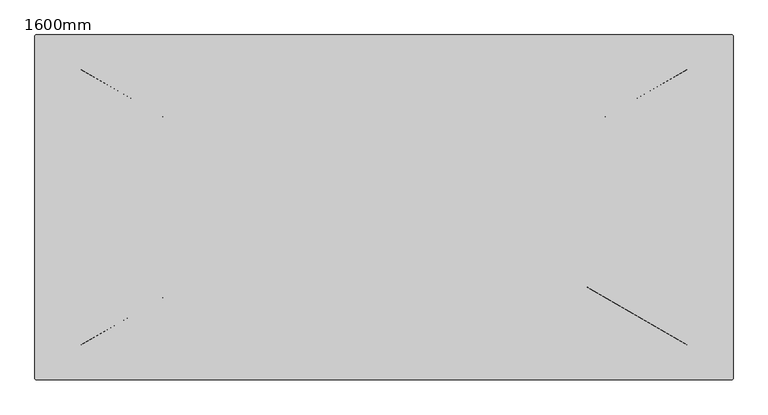
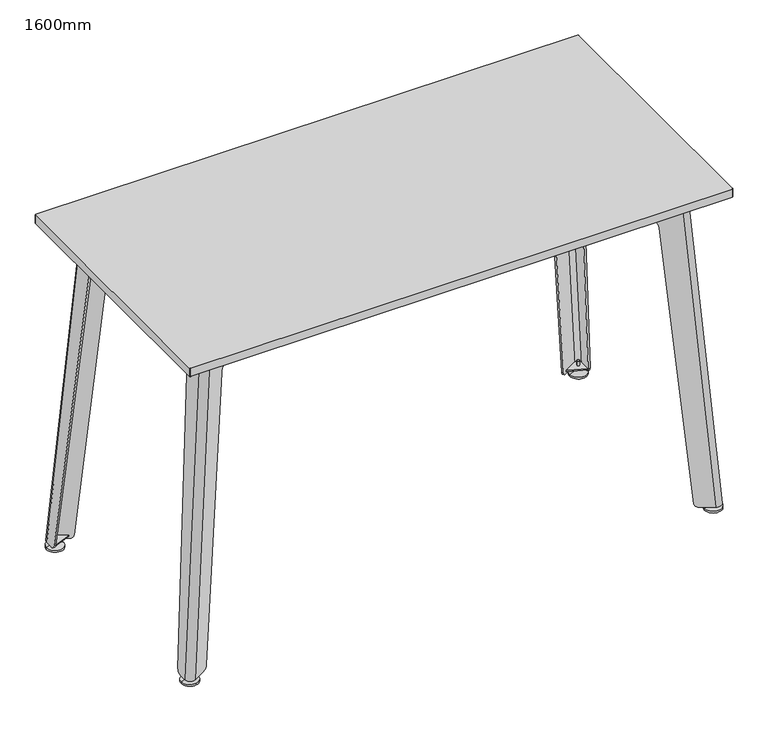
"""IFC4 building model written with IfcOpenShell, lengths in millimetres: furniture geometry, 1600mm."""

from ifc_helpers import new_model, si_unit, point, frame, frame_2d, origin, place, context, project, spatial, polyline, circle_curve, ellipse_curve, trimmed, segment, composite_curve, outline, extrude, source, transform, mapped, element, save
from ifc_brep_helpers import plane_surface, cylinder_surface, revolved_surface, extruded_surface, advanced_brep


def furniture_1600mm_b0f75b26(model_context):
    return source(origin(), model_context, "Body", "SolidModel", [
        extrude(outline(composite_curve([segment(trimmed(circle_curve(frame_2d((765.1, -348.05)), 10.0), [point((775.1, -348.05))], [point((760.1, -356.710254))], False, "CARTESIAN"), True, "CONTINUOUS"), segment(polyline([(760.1, -356.710254), (723.0308212, -335.3083537), (775.1, -314.2710399), (775.1, -348.05)]), True, "CONTINUOUS")], self_intersect=False)), frame((0.0, 0.0, 21.0), z_axis=(0.0, 0.0, 1.0), x_axis=(1.0, 0.0, 0.0)), (0.0, 0.0, 1.0), 4.0),
        extrude(outline(composite_curve([segment(polyline([(-775.1, -348.05), (-775.1, -314.2710399), (-723.0308212, -335.3083537), (-760.1, -356.710254)]), True, "CONTINUOUS"), segment(trimmed(circle_curve(frame_2d((-765.1, -348.05)), 10.0), [point((-760.1, -356.710254))], [point((-775.1, -348.05))], False, "CARTESIAN"), True, "CONTINUOUS")], self_intersect=False)), frame((0.0, 0.0, 21.0), z_axis=(0.0, 0.0, 1.0), x_axis=(1.0, 0.0, 0.0)), (0.0, 0.0, 1.0), 4.0),
        extrude(outline(composite_curve([segment(polyline([(775.1, 348.05), (775.1, 314.2710399), (723.0308212, 335.3083537), (760.1, 356.710254)]), True, "CONTINUOUS"), segment(trimmed(circle_curve(frame_2d((765.1, 348.05)), 10.0), [point((760.1, 356.710254))], [point((775.1, 348.05))], False, "CARTESIAN"), True, "CONTINUOUS")], self_intersect=False)), frame((0.0, 0.0, 21.0), z_axis=(0.0, 0.0, 1.0), x_axis=(1.0, 0.0, 0.0)), (0.0, 0.0, 1.0), 4.0),
        extrude(outline(composite_curve([segment(trimmed(circle_curve(frame_2d((-765.1, 348.05)), 10.0), [point((-775.1, 348.05))], [point((-760.1, 356.710254))], False, "CARTESIAN"), True, "CONTINUOUS"), segment(polyline([(-760.1, 356.710254), (-723.0308212, 335.3083537), (-775.1, 314.2710399), (-775.1, 348.05)]), True, "CONTINUOUS")], self_intersect=False)), frame((0.0, 0.0, 21.0), z_axis=(0.0, 0.0, 1.0), x_axis=(1.0, 0.0, 0.0)), (0.0, 0.0, 1.0), 4.0),
        extrude(outline(polyline([(900.0, 702.7599289), (975.0, 697.6509263), (975.0, -697.6509263), (900.0, -702.7599289), (900.0, 702.7599289)])), frame((0.0, -208.05, 0.0), z_axis=(0.0, 1.0, 0.0), x_axis=(0.0, 0.0, 1.0)), (0.0, 0.0, 1.0), 30.0),
        advanced_brep(
        [(761.1, -339.55, 0.0), (736.1, -339.55, 0.0), (786.1, -339.55, 0.0), (736.1, -339.55, 5.0), (786.1, -339.55, 5.0), (756.1, -339.55, 14.0), (766.1, -339.55, 14.0), (761.1, -339.55, 14.0)],
        [
            (0, 1),
            (1, 2, circle_curve(frame((761.1, -339.55, 0.0), z_axis=(0.0, 0.0, -1.0), x_axis=(-1.0, 0.0, 0.0)), 25.0)),
            (2, 0),
            (2, 1, circle_curve(frame((761.1, -339.55, 0.0), z_axis=(0.0, 0.0, -1.0), x_axis=(-1.0, 0.0, 0.0)), 25.0)),
            (1, 3),
            (3, 4, circle_curve(frame((761.1, -339.55, 5.0), z_axis=(0.0, 0.0, -1.0), x_axis=(-1.0, 0.0, 0.0)), 25.0)),
            (4, 2),
            (4, 3, circle_curve(frame((761.1, -339.55, 5.0), z_axis=(0.0, 0.0, -1.0), x_axis=(-1.0, 0.0, 0.0)), 25.0)),
            (3, 5),
            (5, 6, circle_curve(frame((761.1, -339.55, 14.0), z_axis=(0.0, 0.0, -1.0), x_axis=(-1.0, 0.0, 0.0)), 5.0)),
            (6, 4),
            (6, 5, circle_curve(frame((761.1, -339.55, 14.0), z_axis=(0.0, 0.0, -1.0), x_axis=(-1.0, 0.0, 0.0)), 5.0)),
            (5, 7),
            (7, 6),
        ],
        [
            plane_surface(frame((761.1, -339.55, 0.0), z_axis=(0.0, 0.0, -1.0), x_axis=(-1.0, 0.0, 0.0))),
            cylinder_surface(frame((761.1, -339.55, -2.6616967), z_axis=(0.0, 0.0, -1.0), x_axis=(-1.0, 0.0, 0.0)), 25.0),
            revolved_surface(polyline([(756.1, -339.55, 14.0), (736.1, -339.55, 5.0)]), (761.1, -339.55, -2.6616967), (0.0, 0.0, -1.0)),
            plane_surface(frame((761.1, -339.55, 14.0), z_axis=(0.0, 0.0, 1.0), x_axis=(-1.0, 0.0, 0.0))),
        ],
        [
            (0, [[1, 2, 3]]),
            (0, [[-3, 4, -1]]),
            (1, [[-2, 5, 6, 7]]),
            (1, [[-4, -7, 8, -5]]),
            (2, [[-6, 9, 10, 11]]),
            (2, [[-8, -11, 12, -9]]),
            (3, [[-10, 13, 14]]),
            (3, [[-12, -14, -13]]),
        ],
    ),
        advanced_brep(
        [(786.1, 339.55, 0.0), (736.1, 339.55, 0.0), (761.1, 339.55, 0.0), (786.1, 339.55, 5.0), (736.1, 339.55, 5.0), (766.1, 339.55, 14.0), (756.1, 339.55, 14.0), (761.1, 339.55, 14.0)],
        [
            (0, 1, circle_curve(frame((761.1, 339.55, 0.0), z_axis=(0.0, 0.0, -1.0), x_axis=(-1.0, 0.0, 0.0)), 25.0)),
            (1, 2),
            (2, 0),
            (1, 0, circle_curve(frame((761.1, 339.55, 0.0), z_axis=(0.0, 0.0, -1.0), x_axis=(-1.0, 0.0, 0.0)), 25.0)),
            (3, 4, circle_curve(frame((761.1, 339.55, 5.0), z_axis=(0.0, 0.0, -1.0), x_axis=(-1.0, 0.0, 0.0)), 25.0)),
            (4, 1),
            (0, 3),
            (4, 3, circle_curve(frame((761.1, 339.55, 5.0), z_axis=(0.0, 0.0, -1.0), x_axis=(-1.0, 0.0, 0.0)), 25.0)),
            (5, 6, circle_curve(frame((761.1, 339.55, 14.0), z_axis=(0.0, 0.0, -1.0), x_axis=(-1.0, 0.0, 0.0)), 5.0)),
            (6, 4),
            (3, 5),
            (6, 5, circle_curve(frame((761.1, 339.55, 14.0), z_axis=(0.0, 0.0, -1.0), x_axis=(-1.0, 0.0, 0.0)), 5.0)),
            (7, 6),
            (5, 7),
        ],
        [
            plane_surface(frame((761.1, 339.55, 0.0), z_axis=(0.0, 0.0, -1.0), x_axis=(-1.0, 0.0, 0.0))),
            cylinder_surface(frame((761.1, 339.55, -2.6616967), z_axis=(0.0, 0.0, 1.0), x_axis=(-1.0, 0.0, 0.0)), 25.0),
            revolved_surface(polyline([(736.1, 339.55, 5.0), (756.1, 339.55, 14.0)]), (761.1, 339.55, -2.6616967), (0.0, 0.0, 1.0)),
            plane_surface(frame((761.1, 339.55, 14.0), z_axis=(0.0, 0.0, 1.0), x_axis=(-1.0, 0.0, 0.0))),
        ],
        [
            (0, [[1, 2, 3]]),
            (0, [[4, -3, -2]]),
            (1, [[5, 6, -1, 7]]),
            (1, [[8, -7, -4, -6]]),
            (2, [[9, 10, -5, 11]]),
            (2, [[12, -11, -8, -10]]),
            (3, [[13, -9, 14]]),
            (3, [[-14, -12, -13]]),
        ],
    ),
        advanced_brep(
        [(-786.1, -339.55, 0.0), (-736.1, -339.55, 0.0), (-761.1, -339.55, 0.0), (-786.1, -339.55, 5.0), (-736.1, -339.55, 5.0), (-766.1, -339.55, 14.0), (-756.1, -339.55, 14.0), (-761.1, -339.55, 14.0)],
        [
            (0, 1, circle_curve(frame((-761.1, -339.55, 0.0), z_axis=(0.0, 0.0, -1.0), x_axis=(1.0, 0.0, 0.0)), 25.0)),
            (1, 2),
            (2, 0),
            (1, 0, circle_curve(frame((-761.1, -339.55, 0.0), z_axis=(0.0, 0.0, -1.0), x_axis=(1.0, 0.0, 0.0)), 25.0)),
            (3, 4, circle_curve(frame((-761.1, -339.55, 5.0), z_axis=(0.0, 0.0, -1.0), x_axis=(1.0, 0.0, 0.0)), 25.0)),
            (4, 1),
            (0, 3),
            (4, 3, circle_curve(frame((-761.1, -339.55, 5.0), z_axis=(0.0, 0.0, -1.0), x_axis=(1.0, 0.0, 0.0)), 25.0)),
            (5, 6, circle_curve(frame((-761.1, -339.55, 14.0), z_axis=(0.0, 0.0, -1.0), x_axis=(1.0, 0.0, 0.0)), 5.0)),
            (6, 4),
            (3, 5),
            (6, 5, circle_curve(frame((-761.1, -339.55, 14.0), z_axis=(0.0, 0.0, -1.0), x_axis=(1.0, 0.0, 0.0)), 5.0)),
            (7, 6),
            (5, 7),
        ],
        [
            plane_surface(frame((-761.1, -339.55, 0.0), z_axis=(0.0, 0.0, -1.0), x_axis=(1.0, 0.0, 0.0))),
            cylinder_surface(frame((-761.1, -339.55, -2.6616967), z_axis=(0.0, 0.0, 1.0), x_axis=(1.0, 0.0, 0.0)), 25.0),
            revolved_surface(polyline([(-736.1, -339.55, 5.0), (-756.1, -339.55, 14.0)]), (-761.1, -339.55, -2.6616967), (0.0, 0.0, 1.0)),
            plane_surface(frame((-761.1, -339.55, 14.0), z_axis=(0.0, 0.0, 1.0), x_axis=(1.0, 0.0, 0.0))),
        ],
        [
            (0, [[1, 2, 3]]),
            (0, [[4, -3, -2]]),
            (1, [[5, 6, -1, 7]]),
            (1, [[8, -7, -4, -6]]),
            (2, [[9, 10, -5, 11]]),
            (2, [[12, -11, -8, -10]]),
            (3, [[13, -9, 14]]),
            (3, [[-14, -12, -13]]),
        ],
    ),
        extrude(outline(composite_curve([segment(trimmed(circle_curve(frame_2d((-761.1, 339.55)), 3.5), [point((-764.6, 339.55))], [point((-757.6, 339.55))], False, "CARTESIAN"), True, "CONTINUOUS"), segment(trimmed(circle_curve(frame_2d((-761.1, 339.55)), 3.5), [point((-757.6, 339.55))], [point((-764.6, 339.55))], False, "CARTESIAN"), True, "CONTINUOUS")], self_intersect=False)), frame((0.0, 0.0, 14.0), z_axis=(0.0, 0.0, 1.0), x_axis=(1.0, 0.0, 0.0)), (0.0, 0.0, 1.0), 26.0),
        extrude(outline(composite_curve([segment(trimmed(circle_curve(frame_2d((-761.1, -339.55)), 3.5), [point((-764.6, -339.55))], [point((-757.6, -339.55))], False, "CARTESIAN"), True, "CONTINUOUS"), segment(trimmed(circle_curve(frame_2d((-761.1, -339.55)), 3.5), [point((-757.6, -339.55))], [point((-764.6, -339.55))], False, "CARTESIAN"), True, "CONTINUOUS")], self_intersect=False)), frame((0.0, 0.0, 14.0), z_axis=(0.0, 0.0, 1.0), x_axis=(1.0, 0.0, 0.0)), (0.0, 0.0, 1.0), 26.0),
        extrude(outline(composite_curve([segment(trimmed(circle_curve(frame_2d((761.1, 339.55)), 3.5), [point((757.6, 339.55))], [point((764.6, 339.55))], False, "CARTESIAN"), True, "CONTINUOUS"), segment(trimmed(circle_curve(frame_2d((761.1, 339.55)), 3.5), [point((764.6, 339.55))], [point((757.6, 339.55))], False, "CARTESIAN"), True, "CONTINUOUS")], self_intersect=False)), frame((0.0, 0.0, 14.0), z_axis=(0.0, 0.0, 1.0), x_axis=(1.0, 0.0, 0.0)), (0.0, 0.0, 1.0), 26.0),
        extrude(outline(composite_curve([segment(trimmed(circle_curve(frame_2d((761.1, -339.55)), 3.5), [point((757.6, -339.55))], [point((764.6, -339.55))], False, "CARTESIAN"), True, "CONTINUOUS"), segment(trimmed(circle_curve(frame_2d((761.1, -339.55)), 3.5), [point((764.6, -339.55))], [point((757.6, -339.55))], False, "CARTESIAN"), True, "CONTINUOUS")], self_intersect=False)), frame((0.0, 0.0, 14.0), z_axis=(0.0, 0.0, 1.0), x_axis=(1.0, 0.0, 0.0)), (0.0, 0.0, 1.0), 26.0),
        advanced_brep(
        [(-761.1, 339.55, 0.0), (-736.1, 339.55, 0.0), (-786.1, 339.55, 0.0), (-736.1, 339.55, 5.0), (-786.1, 339.55, 5.0), (-756.1, 339.55, 14.0), (-766.1, 339.55, 14.0), (-761.1, 339.55, 14.0)],
        [
            (0, 1),
            (1, 2, circle_curve(frame((-761.1, 339.55, 0.0), z_axis=(0.0, 0.0, -1.0), x_axis=(1.0, 0.0, 0.0)), 25.0)),
            (2, 0),
            (2, 1, circle_curve(frame((-761.1, 339.55, 0.0), z_axis=(0.0, 0.0, -1.0), x_axis=(1.0, 0.0, 0.0)), 25.0)),
            (1, 3),
            (3, 4, circle_curve(frame((-761.1, 339.55, 5.0), z_axis=(0.0, 0.0, -1.0), x_axis=(1.0, 0.0, 0.0)), 25.0)),
            (4, 2),
            (4, 3, circle_curve(frame((-761.1, 339.55, 5.0), z_axis=(0.0, 0.0, -1.0), x_axis=(1.0, 0.0, 0.0)), 25.0)),
            (3, 5),
            (5, 6, circle_curve(frame((-761.1, 339.55, 14.0), z_axis=(0.0, 0.0, -1.0), x_axis=(1.0, 0.0, 0.0)), 5.0)),
            (6, 4),
            (6, 5, circle_curve(frame((-761.1, 339.55, 14.0), z_axis=(0.0, 0.0, -1.0), x_axis=(1.0, 0.0, 0.0)), 5.0)),
            (5, 7),
            (7, 6),
        ],
        [
            plane_surface(frame((-761.1, 339.55, 0.0), z_axis=(0.0, 0.0, -1.0), x_axis=(1.0, 0.0, 0.0))),
            cylinder_surface(frame((-761.1, 339.55, -2.6616967), z_axis=(0.0, 0.0, -1.0), x_axis=(1.0, 0.0, 0.0)), 25.0),
            revolved_surface(polyline([(-756.1, 339.55, 14.0), (-736.1, 339.55, 5.0)]), (-761.1, 339.55, -2.6616967), (0.0, 0.0, -1.0)),
            plane_surface(frame((-761.1, 339.55, 14.0), z_axis=(0.0, 0.0, 1.0), x_axis=(1.0, 0.0, 0.0))),
        ],
        [
            (0, [[1, 2, 3]]),
            (0, [[-3, 4, -1]]),
            (1, [[-2, 5, 6, 7]]),
            (1, [[-4, -7, 8, -5]]),
            (2, [[-6, 9, 10, 11]]),
            (2, [[-8, -11, 12, -9]]),
            (3, [[-10, 13, 14]]),
            (3, [[-12, -14, -13]]),
        ],
    ),
        extrude(outline(polyline([(975.0, 697.6509263), (975.0, -697.6509263), (900.0, -702.7599289), (900.0, 702.7599289), (975.0, 697.6509263)])), frame((0.0, 178.05, 0.0), z_axis=(0.0, 1.0, 0.0), x_axis=(0.0, 0.0, 1.0)), (0.0, 0.0, 1.0), 30.0),
        advanced_brep(
        [(702.6625137, -298.55, 975.0), (687.6625137, -307.210254, 975.0), (462.4959087, -177.210254, 975.0), (459.9959087, -181.5403811, 975.0), (685.1625137, -311.5403811, 975.0), (707.6625137, -298.55, 975.0), (707.6625137, -153.55, 975.0), (702.6625137, -153.55, 975.0), (780.1, -348.05, 15.0), (757.6, -361.0403811, 15.0), (720.1955687, -339.4449226, 15.0), (719.1711325, -338.853464, 15.0), (721.7712889, -334.5811624, 15.0), (722.7957252, -335.1726209, 15.0), (760.1, -356.710254, 15.0), (775.1, -348.05, 15.0), (775.1, -325.05, 15.0), (775.1, -323.8082745, 15.0), (780.1, -323.8082745, 15.0), (780.1, -325.05, 15.0), (779.2930456, -311.8795094, 25.6944107), (715.6753094, -246.963931, 868.8079686), (713.3216923, -212.1716995, 900.0), (713.3216923, -188.55, 900.0), (710.6807423, -153.55, 935.0), (479.1867343, -193.2200686, 900.0), (605.9752244, -266.4214374, 900.0), (636.0187311, -284.0180588, 868.6183037), (708.8705016, -332.8203367, 25.7594387), (481.6867343, -188.8899415, 900.0), (711.470658, -328.548035, 25.7594387), (638.6188875, -279.7457571, 868.6183037), (608.5753808, -262.1491358, 900.0), (705.6807423, -153.55, 935.0), (708.3216923, -188.55, 900.0), (708.3216923, -212.1716995, 900.0), (710.6753094, -246.963931, 868.8079686), (774.2930456, -311.8795094, 25.6944107)],
        [
            (0, 1, circle_curve(frame((692.6625137, -298.55, 975.0), z_axis=(0.0, 0.0, -1.0), x_axis=(-1.0, 0.0, 0.0)), 10.0)),
            (1, 2),
            (2, 3),
            (3, 4),
            (4, 5, circle_curve(frame((692.6625137, -298.55, 975.0), z_axis=(0.0, 0.0, 1.0), x_axis=(-1.0, 0.0, 0.0)), 15.0)),
            (5, 6),
            (6, 7),
            (7, 0),
            (8, 9, circle_curve(frame((765.1, -348.05, 15.0), z_axis=(0.0, 0.0, -1.0), x_axis=(-1.0, 0.0, 0.0)), 15.0)),
            (9, 10),
            (10, 11),
            (11, 12),
            (12, 13),
            (13, 14),
            (14, 15, circle_curve(frame((765.1, -348.05, 15.0), z_axis=(0.0, 0.0, 1.0), x_axis=(-1.0, 0.0, 0.0)), 10.0)),
            (15, 16),
            (16, 17),
            (17, 18),
            (18, 19),
            (19, 8),
            (5, 8),
            (18, 20, ellipse_curve(frame((779.1945314, -323.8082745, 27.0), z_axis=(0.9971653164115103, 0.0, 0.07524182178770387), x_axis=(-0.07524182178770307, 0.0, 0.9971653164115103)), 12.0341129, 12.0)),
            (20, 21),
            (21, 22, ellipse_curve(frame((715.9626424, -212.1716995, 865.0), z_axis=(-0.9971653164115103, 0.0, -0.07524182178770387), x_axis=(0.07524182178770307, 0.0, -0.9971653164115103)), 35.099496, 35.0)),
            (22, 23),
            (23, 24, ellipse_curve(frame((710.6807423, -188.55, 935.0), z_axis=(0.9971653164115103, 0.0, 0.07524182178770387), x_axis=(-0.07524182178770307, 0.0, 0.9971653164115103)), 35.099496, 35.0)),
            (24, 6),
            (4, 9),
            (3, 25),
            (25, 26),
            (26, 27, ellipse_curve(frame((605.8491531, -266.6285844, 865.0), z_axis=(0.49998800606232874, 0.8660046296760576, -0.006926411296702602), x_axis=(0.8306199541364437, -0.4772643040420134, 0.28686107417644635)), 35.0102011, 35.0)),
            (27, 28),
            (28, 11, ellipse_curve(frame((719.2143569, -338.7824422, 27.0), z_axis=(-0.49998800606232874, -0.8660046296760576, 0.006926411296702602), x_axis=(-0.8306199541364437, 0.4772643040420134, -0.28686107417644635)), 12.0034975, 12.0)),
            (2, 29),
            (29, 25),
            (1, 14),
            (12, 30, ellipse_curve(frame((721.8145133, -334.5101405, 27.0), z_axis=(0.4999880060623268, 0.8660046296760542, -0.006926411297297051), x_axis=(-0.8306199541307391, 0.4772643040383625, -0.2868610741990389)), 12.0034975, 12.0)),
            (30, 31),
            (31, 32, ellipse_curve(frame((608.4493095, -262.3562828, 865.0), z_axis=(-0.4999880060623268, -0.8660046296760542, 0.006926411297297051), x_axis=(0.8306199541307391, -0.4772643040383625, 0.2868610741990389)), 35.0102011, 35.0)),
            (32, 29),
            (0, 15),
            (7, 33),
            (33, 34, ellipse_curve(frame((705.6807423, -188.55, 935.0), z_axis=(-0.9971653164114369, 0.0, -0.07524182178867761), x_axis=(-0.0752418217886756, 0.0, 0.9971653164114371)), 35.099496, 35.0)),
            (34, 35),
            (35, 36, ellipse_curve(frame((710.9626424, -212.1716995, 865.0), z_axis=(0.9971653164114369, 0.0, 0.07524182178867761), x_axis=(0.0752418217886756, 0.0, -0.9971653164114371)), 35.099496, 35.0)),
            (36, 37),
            (37, 17, ellipse_curve(frame((774.1945314, -323.8082745, 27.0), z_axis=(-0.9971653164114369, 0.0, -0.07524182178867761), x_axis=(-0.0752418217886756, 0.0, 0.9971653164114371)), 12.0341129, 12.0)),
            (35, 22),
            (21, 36),
            (20, 37),
            (24, 33),
            (23, 34),
            (32, 26),
            (31, 27),
            (30, 28),
        ],
        [
            plane_surface(frame((639.4958625, -228.9626588, 975.0), z_axis=(0.0, 0.0, 1.0), x_axis=(-1.0, 0.0, 0.0))),
            plane_surface(frame((755.2346189, -335.9626588, 15.0), z_axis=(0.0, 0.0, -1.0), x_axis=(-1.0, 0.0, 0.0))),
            plane_surface(frame((780.1, -328.05, 15.0), z_axis=(0.9971653164115103, 0.0, 0.07524182178770387), x_axis=(0.0, 1.0, 0.0))),
            extruded_surface(trimmed(circle_curve(frame((765.1, -348.05, 15.0), z_axis=(0.0, 0.0, 1.0), x_axis=(-1.0, 0.0, 0.0)), 15.0), [point((757.6, -361.0403811, 15.0))], [point((780.1, -348.05, 15.0))], True, "CARTESIAN"), (-72.43748630000005, 49.5, 960.0), 964.0007465876065),
            plane_surface(frame((731.6192379, -346.0403811, 15.0), z_axis=(-0.49998800606232874, -0.8660046296760576, 0.006926411296702602), x_axis=(0.8660254037847007, -0.49999999999954603, 0.0))),
            plane_surface(frame((706.8884758, -328.8753175, 15.0), z_axis=(-0.8296248336423944, 0.47898412102924914, -0.2868742707279048), x_axis=(-0.4999999999995415, -0.8660254037847035, 0.0))),
            plane_surface(frame((734.1192379, -341.710254, 15.0), z_axis=(0.4999880060623267, 0.866004629676054, -0.006926411297297049), x_axis=(-0.8660254037847007, 0.49999999999954603, 0.0))),
            extruded_surface(trimmed(circle_curve(frame((765.1, -348.05, 15.0), z_axis=(0.0, 0.0, -1.0), x_axis=(-1.0, 0.0, 0.0)), 10.0), [point((775.1, -348.05, 15.0))], [point((760.1, -356.710254, 15.0))], True, "CARTESIAN"), (-72.43748630000005, 49.5, 960.0), 964.0007465876065),
            plane_surface(frame((775.1, -328.05, 15.0), z_axis=(-0.9971653164114369, 0.0, -0.07524182178867761), x_axis=(0.0, -1.0, 0.0))),
            revolved_surface(polyline([(718.6035924228703, -177.1716995, 865.0), (708.3216922999999, -177.1716995, 865.0)]), (-800.1, -212.1716995, 865.0), (1.0, 0.0, 0.0)),
            plane_surface(frame((800.1, -246.963931, 868.8079686), z_axis=(0.0, 0.9970489946582772, -0.07676784646529179), x_axis=(-1.0, 0.0, 0.0))),
            cylinder_surface(frame((-800.1, -323.8082745, 27.0), z_axis=(-1.0, 0.0, 0.0), x_axis=(0.0, 1.0, 0.0)), 12.0),
            plane_surface(frame((800.1, -153.55, 975.0), z_axis=(0.0, 1.0, 0.0), x_axis=(-1.0, 0.0, 0.0))),
            cylinder_surface(frame((-800.1, -188.55, 935.0), z_axis=(-1.0, 0.0, 0.0), x_axis=(0.0, 1.0, 0.0)), 35.0),
            plane_surface(frame((800.1, -188.55, 900.0), z_axis=(0.0, 0.0, -1.0), x_axis=(-1.0, 0.0, 0.0))),
            revolved_surface(polyline([(578.9905520029546, -243.43814897375742, 865.0), (575.5116806432018, -249.15426195813941, 865.0)]), (589.2509742, -293.9009542, 865.0), (0.5198922329362217, 0.8542318573622676, 0.0)),
            plane_surface(frame((648.9291947, -262.8049523, 868.6183037), z_axis=(-0.84965481679419, 0.5171066100158536, -0.10338010532178649), x_axis=(-0.5198922329362222, -0.8542318573622673, 0.0))),
            cylinder_surface(frame((704.0190734, -363.7497228, 27.0), z_axis=(-0.5198922329362217, -0.8542318573622676, 0.0), x_axis=(-0.8542318573622676, 0.5198922329362217, 0.0)), 12.0),
        ],
        [
            (0, [[1, 2, 3, 4, 5, 6, 7, 8]]),
            (1, [[9, 10, 11, 12, 13, 14, 15, 16, 17, 18, 19, 20]]),
            (2, [[21, -20, -19, 22, 23, 24, 25, 26, 27, -6]]),
            (3, [[-5, 28, -9, -21]]),
            (4, [[-4, 29, 30, 31, 32, 33, -11, -10, -28]]),
            (5, [[-3, 34, 35, -29]]),
            (6, [[-2, 36, -14, -13, 37, 38, 39, 40, -34]]),
            (7, [[-1, 41, -15, -36]]),
            (8, [[-41, -8, 42, 43, 44, 45, 46, 47, -17, -16]]),
            (9, [[48, -24, 49, -45]]),
            (10, [[-49, -23, 50, -46]]),
            (11, [[-50, -22, -18, -47]]),
            (12, [[51, -42, -7, -27]]),
            (13, [[-51, -26, 52, -43]]),
            (14, [[-35, -40, 53, -30]]),
            (14, [[-48, -44, -52, -25]]),
            (15, [[-53, -39, 54, -31]]),
            (16, [[-54, -38, 55, -32]]),
            (17, [[-55, -37, -12, -33]]),
        ],
    ),
        advanced_brep(
        [(-707.6625137, -298.55, 975.0), (-685.1625137, -311.5403811, 975.0), (-499.9251938, -204.5935645, 975.0), (-502.5253502, -200.3212628, 975.0), (-687.6625137, -307.210254, 975.0), (-702.6625137, -298.55, 975.0), (-702.6625137, -153.55, 975.0), (-707.6625137, -153.55, 975.0), (-775.1, -348.05, 15.0), (-760.1, -356.710254, 15.0), (-722.7957252, -335.1726209, 15.0), (-721.7712889, -334.5811624, 15.0), (-719.1711325, -338.853464, 15.0), (-720.1955687, -339.4449226, 15.0), (-757.6, -361.0403811, 15.0), (-780.1, -348.05, 15.0), (-780.1, -325.05, 15.0), (-780.1, -323.8082745, 15.0), (-775.1, -323.8082745, 15.0), (-775.1, -325.05, 15.0), (-710.6807423, -153.55, 935.0), (-713.3216923, -188.55, 900.0), (-713.3216923, -212.1716995, 900.0), (-715.6753094, -246.963931, 868.8079686), (-779.2930456, -311.8795094, 25.6944107), (-708.8705016, -332.8203367, 25.7594387), (-636.0187311, -284.0180588, 868.6183037), (-605.9752244, -266.4214374, 900.0), (-499.655041, -205.0374509, 900.0), (-502.2551974, -200.7651493, 900.0), (-608.5753808, -262.1491358, 900.0), (-638.6188875, -279.7457571, 868.6183037), (-711.470658, -328.548035, 25.7594387), (-774.2930456, -311.8795094, 25.6944107), (-710.6753094, -246.963931, 868.8079686), (-708.3216923, -212.1716995, 900.0), (-708.3216923, -188.55, 900.0), (-705.6807423, -153.55, 935.0)],
        [
            (0, 1, circle_curve(frame((-692.6625137, -298.55, 975.0), z_axis=(0.0, 0.0, 1.0), x_axis=(1.0, 0.0, 0.0)), 15.0)),
            (1, 2),
            (2, 3),
            (3, 4),
            (4, 5, circle_curve(frame((-692.6625137, -298.55, 975.0), z_axis=(0.0, 0.0, -1.0), x_axis=(1.0, 0.0, 0.0)), 10.0)),
            (5, 6),
            (6, 7),
            (7, 0),
            (8, 9, circle_curve(frame((-765.1, -348.05, 15.0), z_axis=(0.0, 0.0, 1.0), x_axis=(1.0, 0.0, 0.0)), 10.0)),
            (9, 10),
            (10, 11),
            (11, 12),
            (12, 13),
            (13, 14),
            (14, 15, circle_curve(frame((-765.1, -348.05, 15.0), z_axis=(0.0, 0.0, -1.0), x_axis=(1.0, 0.0, 0.0)), 15.0)),
            (15, 16),
            (16, 17),
            (17, 18),
            (18, 19),
            (19, 8),
            (15, 0),
            (7, 20),
            (20, 21, ellipse_curve(frame((-710.6807423, -188.55, 935.0), z_axis=(-0.9971653164115172, 0.0, 0.07524182178761343), x_axis=(-0.07524182178761203, 0.0, -0.9971653164115173)), 35.099496, 35.0)),
            (21, 22),
            (22, 23, ellipse_curve(frame((-715.9626424, -212.1716995, 865.0), z_axis=(0.9971653164115172, 0.0, -0.07524182178761343), x_axis=(0.07524182178761203, 0.0, 0.9971653164115173)), 35.099496, 35.0)),
            (23, 24),
            (24, 17, ellipse_curve(frame((-779.1945314, -323.8082745, 27.0), z_axis=(-0.9971653164115172, 0.0, 0.07524182178761343), x_axis=(-0.07524182178761203, 0.0, -0.9971653164115173)), 12.0341129, 12.0)),
            (14, 1),
            (12, 25, ellipse_curve(frame((-719.2143569, -338.7824422, 27.0), z_axis=(0.4999880060625346, -0.8660046296759386, 0.006926411296751819), x_axis=(-0.8306199541360139, -0.47726430404201603, 0.28686107417768686)), 12.0034975, 12.0)),
            (25, 26),
            (26, 27, ellipse_curve(frame((-605.8491531, -266.6285844, 865.0), z_axis=(-0.4999880060625346, 0.8660046296759386, -0.006926411296751819), x_axis=(0.8306199541360139, 0.47726430404201603, -0.28686107417768686)), 35.0102011, 35.0)),
            (27, 28),
            (28, 2),
            (9, 4),
            (3, 29),
            (29, 30),
            (30, 31, ellipse_curve(frame((-608.4493095, -262.3562828, 865.0), z_axis=(0.49998800606253235, -0.8660046296759348, 0.0069264112973562355), x_axis=(0.8306199541302275, 0.47726430403828, -0.28686107420065754)), 35.0102011, 35.0)),
            (31, 32),
            (32, 11, ellipse_curve(frame((-721.8145133, -334.5101405, 27.0), z_axis=(-0.49998800606253235, 0.8660046296759348, -0.0069264112973562355), x_axis=(-0.8306199541302275, -0.47726430403828, 0.28686107420065754)), 12.0034975, 12.0)),
            (8, 5),
            (18, 33, ellipse_curve(frame((-774.1945314, -323.8082745, 27.0), z_axis=(0.9971653164114441, 0.0, -0.07524182178858113), x_axis=(-0.07524182178858024, 0.0, -0.9971653164114441)), 12.0341129, 12.0)),
            (33, 34),
            (34, 35, ellipse_curve(frame((-710.9626424, -212.1716995, 865.0), z_axis=(-0.9971653164114441, 0.0, 0.07524182178858113), x_axis=(0.07524182178858024, 0.0, 0.9971653164114441)), 35.099496, 35.0)),
            (35, 36),
            (36, 37, ellipse_curve(frame((-705.6807423, -188.55, 935.0), z_axis=(0.9971653164114441, 0.0, -0.07524182178858113), x_axis=(-0.07524182178858024, 0.0, -0.9971653164114441)), 35.099496, 35.0)),
            (37, 6),
            (22, 35),
            (34, 23),
            (33, 24),
            (37, 20),
            (36, 21),
            (27, 30),
            (29, 28),
            (26, 31),
            (25, 32),
        ],
        [
            plane_surface(frame((-639.4958625, -228.9626588, 975.0), z_axis=(0.0, 0.0, 1.0), x_axis=(0.0, -1.0, 0.0))),
            plane_surface(frame((-755.2346189, -335.9626588, 15.0), z_axis=(0.0, 0.0, -1.0), x_axis=(0.0, -1.0, 0.0))),
            plane_surface(frame((-780.1, -328.05, 15.0), z_axis=(-0.9971653164115172, 0.0, 0.07524182178761343), x_axis=(0.0, -1.0, 0.0))),
            extruded_surface(trimmed(circle_curve(frame((-765.1, -348.05, 15.0), z_axis=(0.0, 0.0, 1.0), x_axis=(1.0, 0.0, 0.0)), 15.0), [point((-780.1, -348.05, 15.0))], [point((-757.6, -361.0403811, 15.0))], True, "CARTESIAN"), (72.43748630000005, 49.5, 960.0), 964.0007465876065),
            plane_surface(frame((-731.6192379, -346.0403811, 15.0), z_axis=(0.49998800606253446, -0.8660046296759384, 0.006926411296751817), x_axis=(0.8660254037845818, 0.4999999999997519, 0.0))),
            plane_surface(frame((-734.1192379, -341.710254, 15.0), z_axis=(-0.49998800606253235, 0.8660046296759348, -0.0069264112973562355), x_axis=(-0.8660254037845819, -0.4999999999997519, 0.0))),
            extruded_surface(trimmed(circle_curve(frame((-765.1, -348.05, 15.0), z_axis=(0.0, 0.0, -1.0), x_axis=(1.0, 0.0, 0.0)), 10.0), [point((-760.1, -356.710254, 15.0))], [point((-775.1, -348.05, 15.0))], True, "CARTESIAN"), (72.43748630000005, 49.5, 960.0), 964.0007465876065),
            plane_surface(frame((-775.1, -328.05, 15.0), z_axis=(0.9971653164114441, 0.0, -0.07524182178858113), x_axis=(0.0, 1.0, 0.0))),
            revolved_surface(polyline([(-708.3216923, -177.1716995, 865.0), (-718.603592422867, -177.1716995, 865.0)]), (-800.1, -212.1716995, 865.0), (1.0, 0.0, 0.0)),
            plane_surface(frame((800.1, -246.963931, 868.8079686), z_axis=(0.0, 0.9970489946582772, -0.07676784646529179), x_axis=(-1.0, 0.0, 0.0))),
            cylinder_surface(frame((-800.1, -323.8082745, 27.0), z_axis=(-1.0, 0.0, 0.0), x_axis=(0.0, 1.0, 0.0)), 12.0),
            plane_surface(frame((800.1, -153.55, 975.0), z_axis=(0.0, 1.0, 0.0), x_axis=(-1.0, 0.0, 0.0))),
            cylinder_surface(frame((-800.1, -188.55, 935.0), z_axis=(-1.0, 0.0, 0.0), x_axis=(0.0, 1.0, 0.0)), 35.0),
            plane_surface(frame((800.1, -188.55, 900.0), z_axis=(0.0, 0.0, -1.0), x_axis=(-1.0, 0.0, 0.0))),
            plane_surface(frame((-484.3948047, -230.1114551, 975.0), z_axis=(0.8542318573621156, 0.5198922329364714, 0.0), x_axis=(-0.5198922329364714, 0.8542318573621156, 0.0))),
            revolved_surface(polyline([(-575.5116805797089, -249.1542619194874, 865.0), (-578.990551939466, -243.43814893510225, 865.0)]), (-619.1793779, -244.7257707, 865.0), (0.519892232936472, -0.8542318573621152, 0.0)),
            plane_surface(frame((-618.9769946, -312.0192353, 868.6183037), z_axis=(0.8496548167940399, 0.5171066100161018, -0.10338010532177787), x_axis=(-0.5198922329364714, 0.8542318573621156, 0.0))),
            cylinder_surface(frame((-733.9474771, -314.5745394, 27.0), z_axis=(-0.519892232936472, 0.8542318573621152, 0.0), x_axis=(0.8542318573621152, 0.519892232936472, 0.0)), 12.0),
        ],
        [
            (0, [[1, 2, 3, 4, 5, 6, 7, 8]]),
            (1, [[9, 10, 11, 12, 13, 14, 15, 16, 17, 18, 19, 20]]),
            (2, [[21, -8, 22, 23, 24, 25, 26, 27, -17, -16]]),
            (3, [[-1, -21, -15, 28]]),
            (4, [[-28, -14, -13, 29, 30, 31, 32, 33, -2]]),
            (5, [[34, -4, 35, 36, 37, 38, 39, -11, -10]]),
            (6, [[-5, -34, -9, 40]]),
            (7, [[-40, -20, -19, 41, 42, 43, 44, 45, 46, -6]]),
            (8, [[47, -43, 48, -25]]),
            (9, [[-48, -42, 49, -26]]),
            (10, [[-49, -41, -18, -27]]),
            (11, [[50, -22, -7, -46]]),
            (12, [[-50, -45, 51, -23]]),
            (13, [[-47, -24, -51, -44]]),
            (13, [[52, -36, 53, -32]]),
            (14, [[-3, -33, -53, -35]]),
            (15, [[-52, -31, 54, -37]]),
            (16, [[-54, -30, 55, -38]]),
            (17, [[-55, -29, -12, -39]]),
        ],
    ),
        extrude(outline(polyline([(975.0, 702.6625137), (975.0, 697.6509263), (900.0, 702.7599289), (900.0, 707.7715163), (975.0, 702.6625137)])), frame((0.0, -208.05, 0.0), z_axis=(0.0, 1.0, 0.0), x_axis=(0.0, 0.0, 1.0)), (0.0, 0.0, 1.0), 416.1),
        extrude(outline(polyline([(975.0, -702.6625137), (900.0, -707.7715163), (900.0, -702.7599289), (975.0, -697.6509263), (975.0, -702.6625137)])), frame((0.0, -208.05, 0.0), z_axis=(0.0, 1.0, 0.0), x_axis=(0.0, 0.0, 1.0)), (0.0, 0.0, 1.0), 416.1),
        advanced_brep(
        [(707.6625137, 298.55, 975.0), (685.1625137, 311.5403811, 975.0), (499.9251938, 204.5935645, 975.0), (502.5253502, 200.3212628, 975.0), (687.6625137, 307.210254, 975.0), (702.6625137, 298.55, 975.0), (702.6625137, 153.55, 975.0), (707.6625137, 153.55, 975.0), (775.1, 348.05, 15.0), (760.1, 356.710254, 15.0), (722.7957251, 335.1726209, 15.0), (721.7712889, 334.5811624, 15.0), (719.1711325, 338.853464, 15.0), (720.1955687, 339.4449226, 15.0), (757.6, 361.0403811, 15.0), (780.1, 348.05, 15.0), (780.1, 325.05, 15.0), (780.1, 323.8082745, 15.0), (775.1, 323.8082745, 15.0), (775.1, 325.05, 15.0), (710.6807423, 153.55, 935.0), (713.3216923, 188.55, 900.0), (713.3216923, 212.1716995, 900.0), (715.6753094, 246.963931, 868.8079686), (779.2930456, 311.8795094, 25.6944107), (708.8704852, 332.8203257, 25.7596289), (636.030539, 284.0248805, 868.617749), (605.9869844, 266.4282271, 900.0), (499.655041, 205.0374509, 900.0), (502.2551974, 200.7651493, 900.0), (608.5871408, 262.1559254, 900.0), (638.6306955, 279.7525789, 868.617749), (711.4706416, 328.548024, 25.7596289), (774.2930456, 311.8795094, 25.6944107), (710.6753094, 246.963931, 868.8079686), (708.3216923, 212.1716995, 900.0), (708.3216923, 188.55, 900.0), (705.6807423, 153.55, 935.0)],
        [
            (0, 1, circle_curve(frame((692.6625137, 298.55, 975.0), z_axis=(0.0, 0.0, 1.0), x_axis=(-1.0, 0.0, 0.0)), 15.0)),
            (1, 2),
            (2, 3),
            (3, 4),
            (4, 5, circle_curve(frame((692.6625137, 298.55, 975.0), z_axis=(0.0, 0.0, -1.0), x_axis=(-1.0, 0.0, 0.0)), 10.0)),
            (5, 6),
            (6, 7),
            (7, 0),
            (8, 9, circle_curve(frame((765.1, 348.05, 15.0), z_axis=(0.0, 0.0, 1.0), x_axis=(-1.0, 0.0, 0.0)), 10.0)),
            (9, 10),
            (10, 11),
            (11, 12),
            (12, 13),
            (13, 14),
            (14, 15, circle_curve(frame((765.1, 348.05, 15.0), z_axis=(0.0, 0.0, -1.0), x_axis=(-1.0, 0.0, 0.0)), 15.0)),
            (15, 16),
            (16, 17),
            (17, 18),
            (18, 19),
            (19, 8),
            (15, 0),
            (7, 20),
            (20, 21, ellipse_curve(frame((710.6807423, 188.55, 935.0), z_axis=(0.9971653164115147, 0.0, 0.07524182178764416), x_axis=(-0.07524182178764474, 0.0, 0.9971653164115146)), 35.099496, 35.0)),
            (21, 22),
            (22, 23, ellipse_curve(frame((715.9626424, 212.1716995, 865.0), z_axis=(-0.9971653164115147, 0.0, -0.07524182178764416), x_axis=(0.07524182178764474, 0.0, -0.9971653164115146)), 35.099496, 35.0)),
            (23, 24),
            (24, 17, ellipse_curve(frame((779.1945314, 323.8082745, 27.0), z_axis=(0.9971653164115147, 0.0, 0.07524182178764416), x_axis=(-0.07524182178764474, 0.0, 0.9971653164115146)), 12.0341129, 12.0)),
            (14, 1),
            (12, 25, ellipse_curve(frame((719.2143569, 338.7824422, 27.0), z_axis=(-0.49998800606244637, 0.8660046296759891, 0.006926411296792365), x_axis=(-0.8306199541314695, -0.4772643040391267, -0.2868610741956523)), 12.0034975, 12.0)),
            (25, 26),
            (26, 27, ellipse_curve(frame((605.8609131, 266.6353741, 865.0), z_axis=(0.49998800606244637, -0.8660046296759891, -0.006926411296792365), x_axis=(0.8306199541314695, 0.4772643040391267, 0.2868610741956523)), 35.0102011, 35.0)),
            (27, 28),
            (28, 2),
            (9, 4),
            (3, 29),
            (29, 30),
            (30, 31, ellipse_curve(frame((608.4610695, 262.3630724, 865.0), z_axis=(-0.49998800606244437, 0.8660046296759856, 0.006926411297362375), x_axis=(0.8306199541260135, 0.4772643040356009, 0.28686107421731616)), 35.0102011, 35.0)),
            (31, 32),
            (32, 11, ellipse_curve(frame((721.8145133, 334.5101405, 27.0), z_axis=(0.49998800606244437, -0.8660046296759856, -0.006926411297362375), x_axis=(-0.8306199541260135, -0.4772643040356009, -0.28686107421731616)), 12.0034975, 12.0)),
            (8, 5),
            (18, 33, ellipse_curve(frame((774.1945314, 323.8082745, 27.0), z_axis=(-0.9971653164114466, 0.0, -0.07524182178854887), x_axis=(-0.07524182178854757, 0.0, 0.9971653164114466)), 12.0341129, 12.0)),
            (33, 34),
            (34, 35, ellipse_curve(frame((710.9626424, 212.1716995, 865.0), z_axis=(0.9971653164114466, 0.0, 0.07524182178854887), x_axis=(0.07524182178854757, 0.0, -0.9971653164114466)), 35.099496, 35.0)),
            (35, 36),
            (36, 37, ellipse_curve(frame((705.6807423, 188.55, 935.0), z_axis=(-0.9971653164114466, 0.0, -0.07524182178854887), x_axis=(-0.07524182178854757, 0.0, 0.9971653164114466)), 35.099496, 35.0)),
            (37, 6),
            (34, 23),
            (22, 35),
            (33, 24),
            (37, 20),
            (36, 21),
            (27, 30),
            (29, 28),
            (26, 31),
            (25, 32),
        ],
        [
            plane_surface(frame((639.4958625, 228.9626588, 975.0), z_axis=(0.0, 0.0, 1.0), x_axis=(0.0, 1.0, 0.0))),
            plane_surface(frame((755.2346189, 335.9626588, 15.0), z_axis=(0.0, 0.0, -1.0), x_axis=(0.0, 1.0, 0.0))),
            plane_surface(frame((780.1, 328.05, 15.0), z_axis=(0.9971653164115147, 0.0, 0.07524182178764416), x_axis=(0.0, 1.0, 0.0))),
            extruded_surface(trimmed(circle_curve(frame((765.1, 348.05, 15.0), z_axis=(0.0, 0.0, 1.0), x_axis=(-1.0, 0.0, 0.0)), 15.0), [point((780.1, 348.05, 15.0))], [point((757.6, 361.0403811, 15.0))], True, "CARTESIAN"), (-72.43748630000005, -49.5, 960.0), 964.0007465876065),
            plane_surface(frame((731.6192379, 346.0403811, 15.0), z_axis=(-0.49998800606244626, 0.8660046296759889, 0.006926411296792364), x_axis=(-0.8660254037846327, -0.4999999999996639, 0.0))),
            plane_surface(frame((734.1192379, 341.710254, 15.0), z_axis=(0.49998800606244437, -0.8660046296759856, -0.006926411297362375), x_axis=(0.8660254037846327, 0.49999999999966394, 0.0))),
            extruded_surface(trimmed(circle_curve(frame((765.1, 348.05, 15.0), z_axis=(0.0, 0.0, -1.0), x_axis=(-1.0, 0.0, 0.0)), 10.0), [point((760.1, 356.710254, 15.0))], [point((775.1, 348.05, 15.0))], True, "CARTESIAN"), (-72.43748630000005, -49.5, 960.0), 964.0007465876065),
            plane_surface(frame((775.1, 328.05, 15.0), z_axis=(-0.9971653164114466, 0.0, -0.07524182178854887), x_axis=(0.0, -1.0, 0.0))),
            revolved_surface(polyline([(718.6035924228682, 177.1716995, 865.0), (708.3216922999999, 177.1716995, 865.0)]), (-800.1, 212.1716995, 865.0), (1.0, 0.0, 0.0)),
            plane_surface(frame((800.1, 311.8795094, 25.6944107), z_axis=(0.0, -0.9970489946582769, -0.07676784646529612), x_axis=(-1.0, 0.0, 0.0))),
            cylinder_surface(frame((-800.1, 323.8082745, 27.0), z_axis=(-1.0, 0.0, 0.0), x_axis=(0.0, -1.0, 0.0)), 12.0),
            plane_surface(frame((800.1, 153.55, 935.0), z_axis=(0.0, -1.0, 0.0), x_axis=(-1.0, 0.0, 0.0))),
            cylinder_surface(frame((-800.1, 188.55, 935.0), z_axis=(-1.0, 0.0, 0.0), x_axis=(0.0, -1.0, 0.0)), 35.0),
            plane_surface(frame((800.1, 212.1716995, 900.0), z_axis=(0.0, 0.0, -1.0), x_axis=(-1.0, 0.0, 0.0))),
            plane_surface(frame((514.3470048, 180.8971721, 900.0), z_axis=(-0.8542318573629175, -0.5198922329351539, 0.0), x_axis=(-0.5198922329351539, 0.8542318573629175, 0.0))),
            revolved_surface(polyline([(638.7985419661935, 279.83739484757433, 865.0), (635.3196705620846, 285.55350790485363, 865.0)]), (589.2625709, 293.908012, 865.0), (0.5198922329351532, -0.854231857362918, 0.0)),
            plane_surface(frame((723.7635006, 308.3497, 25.7596289), z_axis=(-0.8496562238771969, -0.5171074663761904, -0.1033642561272507), x_axis=(-0.5198922329351527, 0.8542318573629182, 0.0))),
            cylinder_surface(frame((704.0190734, 363.7497228, 27.0), z_axis=(-0.5198922329351532, 0.854231857362918, 0.0), x_axis=(0.854231857362918, 0.5198922329351532, 0.0)), 12.0),
        ],
        [
            (0, [[1, 2, 3, 4, 5, 6, 7, 8]]),
            (1, [[9, 10, 11, 12, 13, 14, 15, 16, 17, 18, 19, 20]]),
            (2, [[21, -8, 22, 23, 24, 25, 26, 27, -17, -16]]),
            (3, [[-1, -21, -15, 28]]),
            (4, [[-28, -14, -13, 29, 30, 31, 32, 33, -2]]),
            (5, [[34, -4, 35, 36, 37, 38, 39, -11, -10]]),
            (6, [[-5, -34, -9, 40]]),
            (7, [[-40, -20, -19, 41, 42, 43, 44, 45, 46, -6]]),
            (8, [[47, -25, 48, -43]]),
            (9, [[-47, -42, 49, -26]]),
            (10, [[-49, -41, -18, -27]]),
            (11, [[50, -22, -7, -46]]),
            (12, [[-50, -45, 51, -23]]),
            (13, [[-51, -44, -48, -24]]),
            (13, [[52, -36, 53, -32]]),
            (14, [[-3, -33, -53, -35]]),
            (15, [[-52, -31, 54, -37]]),
            (16, [[-54, -30, 55, -38]]),
            (17, [[-55, -29, -12, -39]]),
        ],
    ),
        advanced_brep(
        [(-702.6625137, 298.55, 975.0), (-687.6625137, 307.210254, 975.0), (-502.5253502, 200.3212628, 975.0), (-499.9251938, 204.5935645, 975.0), (-685.1625137, 311.5403811, 975.0), (-707.6625137, 298.55, 975.0), (-707.6625137, 153.55, 975.0), (-702.6625137, 153.55, 975.0), (-780.1, 348.05, 15.0), (-757.6, 361.0403811, 15.0), (-720.1955687, 339.4449226, 15.0), (-719.1711325, 338.853464, 15.0), (-721.7712889, 334.5811624, 15.0), (-722.7957252, 335.1726209, 15.0), (-760.1, 356.710254, 15.0), (-775.1, 348.05, 15.0), (-775.1, 325.05, 15.0), (-775.1, 323.8082745, 15.0), (-780.1, 323.8082745, 15.0), (-780.1, 325.05, 15.0), (-779.2930456, 311.8795094, 25.6944107), (-715.6753094, 246.963931, 868.8079686), (-713.3216923, 212.1716995, 900.0), (-713.3216923, 188.55, 900.0), (-710.6807423, 153.55, 935.0), (-499.655041, 205.0374509, 900.0), (-605.9869844, 266.4282271, 900.0), (-636.0304911, 284.0248484, 868.6183037), (-708.8705016, 332.8203367, 25.7594387), (-711.470658, 328.548035, 25.7594387), (-638.6306475, 279.7525467, 868.6183037), (-608.5871408, 262.1559254, 900.0), (-502.2551974, 200.7651493, 900.0), (-705.6807423, 153.55, 935.0), (-708.3216923, 188.55, 900.0), (-708.3216923, 212.1716995, 900.0), (-710.6753094, 246.963931, 868.8079686), (-774.2930456, 311.8795094, 25.6944107)],
        [
            (0, 1, circle_curve(frame((-692.6625137, 298.55, 975.0), z_axis=(0.0, 0.0, -1.0), x_axis=(1.0, 0.0, 0.0)), 10.0)),
            (1, 2),
            (2, 3),
            (3, 4),
            (4, 5, circle_curve(frame((-692.6625137, 298.55, 975.0), z_axis=(0.0, 0.0, 1.0), x_axis=(1.0, 0.0, 0.0)), 15.0)),
            (5, 6),
            (6, 7),
            (7, 0),
            (8, 9, circle_curve(frame((-765.1, 348.05, 15.0), z_axis=(0.0, 0.0, -1.0), x_axis=(1.0, 0.0, 0.0)), 15.0)),
            (9, 10),
            (10, 11),
            (11, 12),
            (12, 13),
            (13, 14),
            (14, 15, circle_curve(frame((-765.1, 348.05, 15.0), z_axis=(0.0, 0.0, 1.0), x_axis=(1.0, 0.0, 0.0)), 10.0)),
            (15, 16),
            (16, 17),
            (17, 18),
            (18, 19),
            (19, 8),
            (5, 8),
            (18, 20, ellipse_curve(frame((-779.1945314, 323.8082745, 27.0), z_axis=(-0.9971653164115091, 0.0, 0.07524182178772022), x_axis=(-0.0752418217877192, 0.0, -0.9971653164115091)), 12.0341129, 12.0)),
            (20, 21),
            (21, 22, ellipse_curve(frame((-715.9626424, 212.1716995, 865.0), z_axis=(0.9971653164115091, 0.0, -0.07524182178772022), x_axis=(0.0752418217877192, 0.0, 0.9971653164115091)), 35.099496, 35.0)),
            (22, 23),
            (23, 24, ellipse_curve(frame((-710.6807423, 188.55, 935.0), z_axis=(-0.9971653164115091, 0.0, 0.07524182178772022), x_axis=(-0.0752418217877192, 0.0, -0.9971653164115091)), 35.099496, 35.0)),
            (24, 6),
            (4, 9),
            (3, 25),
            (25, 26),
            (26, 27, ellipse_curve(frame((-605.8609131, 266.6353741, 865.0), z_axis=(-0.49998800606240673, -0.8660046296760132, -0.006926411296613005), x_axis=(0.8306199541338969, -0.4772643040405891, -0.2868610741861908)), 35.0102011, 35.0)),
            (27, 28),
            (28, 11, ellipse_curve(frame((-719.2143569, 338.7824422, 27.0), z_axis=(0.49998800606240673, 0.8660046296760132, 0.006926411296613005), x_axis=(-0.8306199541338969, 0.4772643040405891, 0.2868610741861908)), 12.0034975, 12.0)),
            (1, 14),
            (12, 29, ellipse_curve(frame((-721.8145133, 334.5101405, 27.0), z_axis=(-0.4999880060624048, -0.8660046296760098, -0.006926411297198427), x_axis=(-0.8306199541282837, 0.47726430403698483, 0.28686107420844026)), 12.0034975, 12.0)),
            (29, 30),
            (30, 31, ellipse_curve(frame((-608.4610695, 262.3630724, 865.0), z_axis=(0.4999880060624048, 0.8660046296760098, 0.006926411297198427), x_axis=(0.8306199541282837, -0.47726430403698483, -0.28686107420844026)), 35.0102011, 35.0)),
            (31, 32),
            (32, 2),
            (0, 15),
            (7, 33),
            (33, 34, ellipse_curve(frame((-705.6807423, 188.55, 935.0), z_axis=(0.997165316411438, 0.0, -0.07524182178866151), x_axis=(-0.07524182178866216, 0.0, -0.9971653164114381)), 35.099496, 35.0)),
            (34, 35),
            (35, 36, ellipse_curve(frame((-710.9626424, 212.1716995, 865.0), z_axis=(-0.997165316411438, 0.0, 0.07524182178866151), x_axis=(0.07524182178866216, 0.0, 0.9971653164114381)), 35.099496, 35.0)),
            (36, 37),
            (37, 17, ellipse_curve(frame((-774.1945314, 323.8082745, 27.0), z_axis=(0.997165316411438, 0.0, -0.07524182178866151), x_axis=(-0.07524182178866216, 0.0, -0.9971653164114381)), 12.0341129, 12.0)),
            (21, 36),
            (35, 22),
            (20, 37),
            (24, 33),
            (23, 34),
            (25, 32),
            (31, 26),
            (30, 27),
            (29, 28),
        ],
        [
            plane_surface(frame((-639.4958625, 228.9626588, 975.0), z_axis=(0.0, 0.0, 1.0), x_axis=(1.0, 0.0, 0.0))),
            plane_surface(frame((-755.2346189, 335.9626588, 15.0), z_axis=(0.0, 0.0, -1.0), x_axis=(1.0, 0.0, 0.0))),
            plane_surface(frame((-780.1, 328.05, 15.0), z_axis=(-0.9971653164115091, 0.0, 0.07524182178772022), x_axis=(0.0, -1.0, 0.0))),
            extruded_surface(trimmed(circle_curve(frame((-765.1, 348.05, 15.0), z_axis=(0.0, 0.0, 1.0), x_axis=(1.0, 0.0, 0.0)), 15.0), [point((-757.6, 361.0403811, 15.0))], [point((-780.1, 348.05, 15.0))], True, "CARTESIAN"), (72.43748630000005, -49.5, 960.0), 964.0007465876065),
            plane_surface(frame((-731.6192379, 346.0403811, 15.0), z_axis=(0.49998800606240673, 0.8660046296760132, 0.006926411296613005), x_axis=(-0.8660254037846559, 0.49999999999962375, 0.0))),
            plane_surface(frame((-734.1192379, 341.710254, 15.0), z_axis=(-0.4999880060624048, -0.8660046296760098, -0.006926411297198427), x_axis=(0.8660254037846559, -0.4999999999996238, 0.0))),
            extruded_surface(trimmed(circle_curve(frame((-765.1, 348.05, 15.0), z_axis=(0.0, 0.0, -1.0), x_axis=(1.0, 0.0, 0.0)), 10.0), [point((-775.1, 348.05, 15.0))], [point((-760.1, 356.710254, 15.0))], True, "CARTESIAN"), (72.43748630000005, -49.5, 960.0), 964.0007465876065),
            plane_surface(frame((-775.1, 328.05, 15.0), z_axis=(0.997165316411438, 0.0, -0.07524182178866151), x_axis=(0.0, 1.0, 0.0))),
            revolved_surface(polyline([(-708.3216923, 177.1716995, 865.0), (-718.6035924228709, 177.1716995, 865.0)]), (-800.1, 212.1716995, 865.0), (1.0, 0.0, 0.0)),
            plane_surface(frame((800.1, 311.8795094, 25.6944107), z_axis=(0.0, -0.9970489946582769, -0.07676784646529612), x_axis=(-1.0, 0.0, 0.0))),
            cylinder_surface(frame((-800.1, 323.8082745, 27.0), z_axis=(-1.0, 0.0, 0.0), x_axis=(0.0, -1.0, 0.0)), 12.0),
            plane_surface(frame((800.1, 153.55, 935.0), z_axis=(0.0, -1.0, 0.0), x_axis=(-1.0, 0.0, 0.0))),
            cylinder_surface(frame((-800.1, 188.55, 935.0), z_axis=(-1.0, 0.0, 0.0), x_axis=(0.0, -1.0, 0.0)), 35.0),
            plane_surface(frame((800.1, 212.1716995, 900.0), z_axis=(0.0, 0.0, -1.0), x_axis=(-1.0, 0.0, 0.0))),
            plane_surface(frame((-484.3948047, 230.1114551, 900.0), z_axis=(0.8542318573628211, -0.5198922329353122, 0.0), x_axis=(-0.5198922329353122, -0.8542318573628211, 0.0))),
            revolved_surface(polyline([(-635.3196706160265, 285.55350793769855, 865.0), (-638.7985420201433, 279.8373948804089, 865.0)]), (-619.1909747, 244.7328286, 865.0), (0.519892232935312, 0.8542318573628213, 0.0)),
            plane_surface(frame((-693.8113174, 357.5639933, 25.7594387), z_axis=(0.8496562238766375, -0.5171074663760673, -0.10336425613246618), x_axis=(-0.5198922329353122, -0.8542318573628211, 0.0))),
            cylinder_surface(frame((-733.9474771, 314.5745394, 27.0), z_axis=(-0.519892232935312, -0.8542318573628213, 0.0), x_axis=(-0.8542318573628213, 0.519892232935312, 0.0)), 12.0),
        ],
        [
            (0, [[1, 2, 3, 4, 5, 6, 7, 8]]),
            (1, [[9, 10, 11, 12, 13, 14, 15, 16, 17, 18, 19, 20]]),
            (2, [[21, -20, -19, 22, 23, 24, 25, 26, 27, -6]]),
            (3, [[-5, 28, -9, -21]]),
            (4, [[-28, -4, 29, 30, 31, 32, 33, -11, -10]]),
            (5, [[34, -14, -13, 35, 36, 37, 38, 39, -2]]),
            (6, [[-1, 40, -15, -34]]),
            (7, [[-40, -8, 41, 42, 43, 44, 45, 46, -17, -16]]),
            (8, [[47, -44, 48, -24]]),
            (9, [[-47, -23, 49, -45]]),
            (10, [[-49, -22, -18, -46]]),
            (11, [[50, -41, -7, -27]]),
            (12, [[-50, -26, 51, -42]]),
            (13, [[-51, -25, -48, -43]]),
            (13, [[52, -38, 53, -30]]),
            (14, [[-3, -39, -52, -29]]),
            (15, [[-53, -37, 54, -31]]),
            (16, [[-54, -36, 55, -32]]),
            (17, [[-55, -35, -12, -33]]),
        ],
    ),
        extrude(outline(composite_curve([segment(trimmed(circle_curve(frame_2d((787.1, 387.05)), 3.0), [point((787.1, 390.05))], [point((790.1, 387.05))], False, "CARTESIAN"), True, "CONTINUOUS"), segment(polyline([(790.1, 387.05), (790.1, -387.05)]), True, "CONTINUOUS"), segment(trimmed(circle_curve(frame_2d((787.1, -387.05)), 3.0), [point((790.1, -387.05))], [point((787.1, -390.05))], False, "CARTESIAN"), True, "CONTINUOUS"), segment(polyline([(787.1, -390.05), (-787.1, -390.05)]), True, "CONTINUOUS"), segment(trimmed(circle_curve(frame_2d((-787.1, -387.05)), 3.0), [point((-787.1, -390.05))], [point((-790.1, -387.05))], False, "CARTESIAN"), True, "CONTINUOUS"), segment(polyline([(-790.1, -387.05), (-790.1, 387.05)]), True, "CONTINUOUS"), segment(trimmed(circle_curve(frame_2d((-787.1, 387.05)), 3.0), [point((-790.1, 387.05))], [point((-787.1, 390.05))], False, "CARTESIAN"), True, "CONTINUOUS"), segment(polyline([(-787.1, 390.05), (787.1, 390.05)]), True, "CONTINUOUS")], self_intersect=False)), frame((0.0, 0.0, 975.0), z_axis=(0.0, 0.0, 1.0), x_axis=(1.0, 0.0, 0.0)), (0.0, 0.0, 1.0), 25.0),
    ])


if __name__ == "__main__":
    model = new_model("IFC4")
    model_context = context("Model", 3, world=origin())
    ifc_project = project(units=[si_unit("LENGTHUNIT", "METRE", prefix="MILLI")], contexts=[model_context])
    site = spatial("IfcSite", under=ifc_project)
    building = spatial("IfcBuilding", under=site)
    placement = place(None, origin())
    furniture_1600mm_shape = furniture_1600mm_b0f75b26(model_context)
    element("IfcFurniture", 1, ObjectType="1600mm", at=placement, inside=building, context=model_context, shape_type="MappedRepresentation", body=[
        mapped(furniture_1600mm_shape, transform((0.0, 0.0, 0.0), x_axis=(1.0, 0.0, 0.0), y_axis=(0.0, 1.0, 0.0), z_axis=(0.0, 0.0, 1.0))),
    ])
    save(model, "model.ifc")
